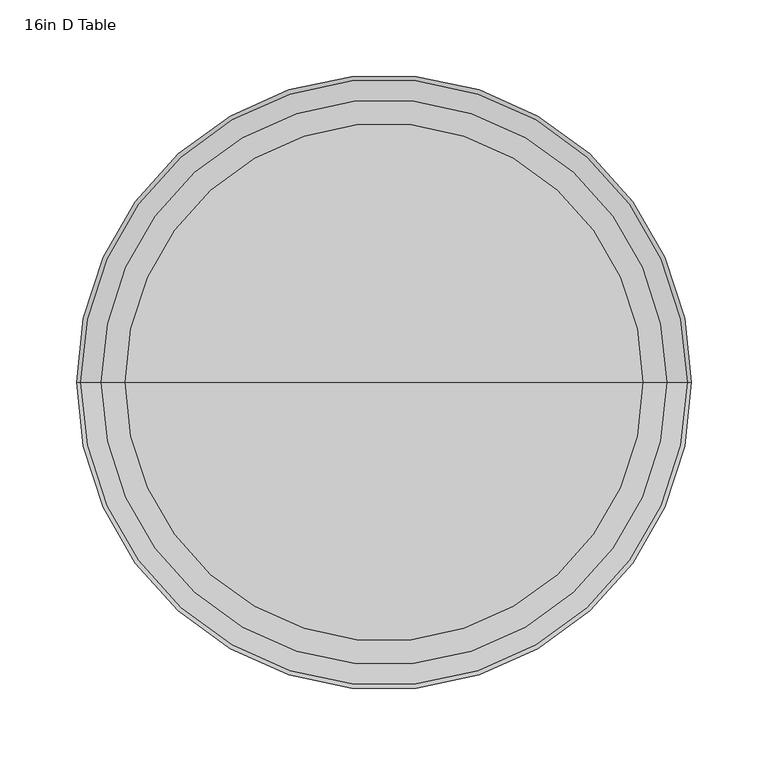
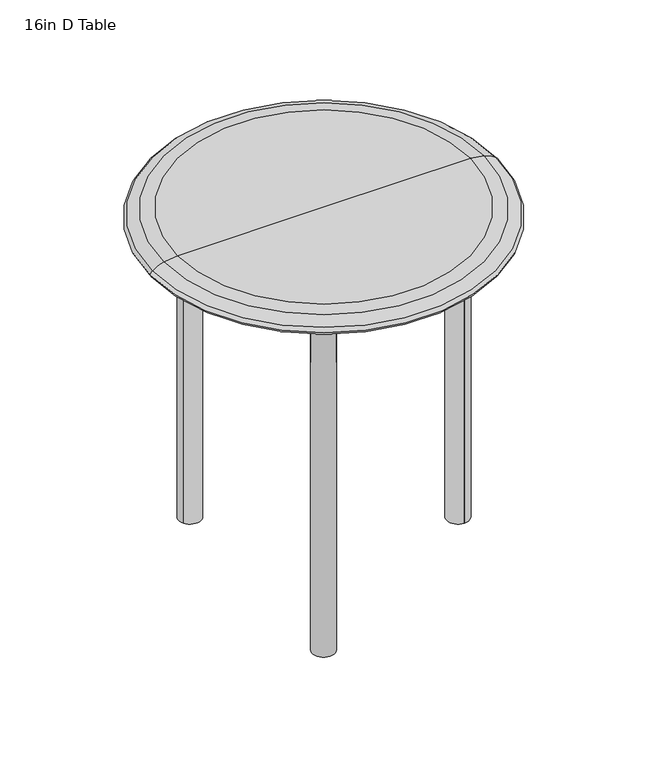
"""IFC4 building model written with IfcOpenShell, lengths in millimetres: furniture geometry, 16in D Table."""

from ifc_helpers import new_model, si_unit, point, frame, frame_2d, origin, place, context, project, spatial, polyline, circle_curve, ellipse_curve, trimmed, segment, composite_curve, outline, extrude, source, transform, mapped, element, save
from ifc_brep_helpers import plane_surface, cylinder_surface, revolved_surface, advanced_brep


def furniture_16in_d_table_f877d0f4(model_context):
    return source(origin(), model_context, "Body", "SolidModel", [
        extrude(outline(composite_curve([segment(polyline([(0.0, 0.0), (0.0, 155.7392297), (15.3769901, 155.7392297), (15.3769901, 40.3602375)]), True, "CONTINUOUS"), segment(trimmed(circle_curve(frame_2d((55.7372276, 40.3602375)), 40.3602375), [point((15.3769901, 40.3602375))], [point((55.7372276, 0.0))], True, "CARTESIAN"), True, "CONTINUOUS"), segment(polyline([(55.7372276, 0.0), (0.0, 0.0)]), True, "CONTINUOUS")], self_intersect=False)), frame((-88.9101098, -127.5088399, 406.7999998), z_axis=(0.8660254037844475, -0.49999999999998473, 0.0), x_axis=(0.0, 0.0, -1.0)), (0.0, 0.0, 1.0), 25.8000589),
        advanced_brep(
        [(-66.508095, -139.907471, 0.0031248), (-88.5051402, -127.207471, 0.0031248), (-88.5051402, -127.207471, 350.6439045), (-66.508095, -139.907471, 350.6439045), (-68.1155876, -91.89173, 391.4230097), (-46.1185424, -104.59173, 391.4230097), (11.1297809, -5.4347254, 391.4230097), (-10.8672643, 7.2652746, 391.4230097)],
        [
            (0, 1),
            (1, 0, circle_curve(frame((-77.5066176, -133.557471, 0.0031248), z_axis=(0.0, 0.0, -1.0), x_axis=(0.49999999999998473, 0.8660254037844475, 0.0)), 12.7)),
            (1, 2),
            (2, 3, circle_curve(frame((-77.5066176, -133.557471, 350.6439045), z_axis=(0.0, 0.0, -1.0), x_axis=(0.49999999999998473, 0.8660254037844475, 0.0)), 12.7)),
            (3, 0),
            (3, 2),
            (4, 5, circle_curve(frame((-57.117065, -98.24173, 391.4230097), z_axis=(-0.49999999999998473, -0.8660254037844475, 0.0), x_axis=(0.0, 0.0, -1.0)), 12.7)),
            (5, 3, circle_curve(frame((-46.1185424, -104.59173, 350.6439045), z_axis=(0.8660254037844475, -0.49999999999998473, 0.0), x_axis=(-0.49999999999998473, -0.8660254037844475, 0.0)), 40.7791052)),
            (2, 4, circle_curve(frame((-68.1155876, -91.89173, 350.6439045), z_axis=(-0.8660254037844475, 0.49999999999998473, 0.0), x_axis=(-0.49999999999998473, -0.8660254037844475, 0.0)), 40.7791052)),
            (5, 4),
            (6, 7, circle_curve(frame((0.1312583, 0.9152746, 391.4230097), z_axis=(0.49999999999998473, 0.8660254037844475, 0.0), x_axis=(0.0, 0.0, -1.0)), 12.7)),
            (7, 6),
            (4, 7),
            (6, 5),
        ],
        [
            plane_surface(frame((-65.9861853, -140.2087957, 0.0031248), z_axis=(0.0, 0.0, -1.0), x_axis=(0.8660254037844475, -0.49999999999998473, 0.0))),
            cylinder_surface(frame((-77.5066176, -133.557471, 0.0031248), z_axis=(0.0, 0.0, -1.0), x_axis=(0.49999999999998473, 0.8660254037844475, 0.0)), 12.7),
            plane_surface(frame((-88.5051402, -127.207471, 0.0031248), z_axis=(-0.4999999999999848, -0.8660254037844475, 0.0), x_axis=(0.0, 0.0, 1.0))),
            revolved_surface(trimmed(ellipse_curve(frame((-77.5066176, -133.557471, 350.6439045), z_axis=(0.0, 0.0, 1.0), x_axis=(0.49999999999998473, 0.8660254037844475, 0.0)), 12.7, 12.7), [point((-66.508095, -139.907471, 350.6439045))], [point((-88.5051402, -127.207471, 350.6439045))], True, "CARTESIAN"), (-45.5966327, -104.8930546, 350.6439045), (0.8660254037844475, -0.49999999999998473, 0.0)),
            cylinder_surface(frame((-45.5966327, -104.8930546, 350.6439045), z_axis=(0.8660254037844475, -0.49999999999998473, 0.0), x_axis=(-0.49999999999998473, -0.8660254037844475, 0.0)), 40.7791052),
            plane_surface(frame((11.6516906, -5.73605, 391.4230097), z_axis=(0.49999999999998473, 0.8660254037844475, 0.0), x_axis=(0.8660254037844475, -0.49999999999998473, 0.0))),
            cylinder_surface(frame((-57.117065, -98.24173, 391.4230097), z_axis=(-0.49999999999998473, -0.8660254037844475, 0.0), x_axis=(0.0, 0.0, -1.0)), 12.7),
            plane_surface(frame((-68.1155876, -91.89173, 391.4230097), z_axis=(0.0, 0.0, 1.0), x_axis=(0.49999999999998473, 0.8660254037844475, 0.0))),
        ],
        [
            (0, [[1, 2]]),
            (1, [[3, 4, 5, -2]]),
            (2, [[-5, 6, -3, -1]]),
            (3, [[7, 8, -4, 9]]),
            (4, [[10, -9, -6, -8]]),
            (5, [[11, 12]]),
            (6, [[13, -11, 14, -7]]),
            (7, [[-14, -12, -13, -10]]),
        ],
    ),
        extrude(outline(composite_curve([segment(trimmed(circle_curve(frame_2d((-77.5066176, -133.557471)), 12.9000295), [point((-66.3348644, -140.0074858))], [point((-88.6783708, -127.1074563))], False, "CARTESIAN"), True, "CONTINUOUS"), segment(polyline([(-88.6783708, -127.1074563), (-66.3348644, -140.0074858)]), True, "CONTINUOUS")], self_intersect=False)), frame((0.0, 0.0, 0.0031248), z_axis=(0.0, 0.0, 1.0), x_axis=(1.0, 0.0, 0.0)), (0.0, 0.0, 1.0), 406.796875),
        extrude(outline(composite_curve([segment(polyline([(0.0, 0.0), (0.0, -155.7392297), (-15.3769901, -155.7392297), (-15.3769901, -40.3602375)]), True, "CONTINUOUS"), segment(trimmed(circle_curve(frame_2d((-55.7372276, -40.3602375)), 40.3602375), [point((-15.3769901, -40.3602375))], [point((-55.7372276, 0.0))], True, "CARTESIAN"), True, "CONTINUOUS"), segment(polyline([(-55.7372276, 0.0), (0.0, 0.0)]), True, "CONTINUOUS")], self_intersect=False)), frame((-66.5666033, 140.4088694, 406.7999998), z_axis=(-0.8660254037844445, -0.49999999999998995, 0.0), x_axis=(0.0, 0.0, 1.0)), (0.0, 0.0, 1.0), 25.8000589),
        advanced_brep(
        [(-66.508095, 139.907471, 0.0031248), (-88.5051402, 127.207471, 0.0031248), (-66.508095, 139.907471, 350.6439045), (-88.5051402, 127.207471, 350.6439045), (-68.1155876, 91.89173, 391.4230097), (-46.1185424, 104.59173, 391.4230097), (11.1297809, 5.4347254, 391.4230097), (-10.8672643, -7.2652746, 391.4230097)],
        [
            (0, 1, circle_curve(frame((-77.5066176, 133.557471, 0.0031248), z_axis=(0.0, 0.0, -1.0), x_axis=(0.49999999999998995, -0.8660254037844445, 0.0)), 12.7)),
            (1, 0),
            (0, 2),
            (2, 3, circle_curve(frame((-77.5066176, 133.557471, 350.6439045), z_axis=(0.0, 0.0, -1.0), x_axis=(0.49999999999998995, -0.8660254037844445, 0.0)), 12.7)),
            (3, 1),
            (3, 2),
            (4, 3, circle_curve(frame((-68.1155876, 91.89173, 350.6439045), z_axis=(-0.8660254037844445, -0.49999999999998995, 0.0), x_axis=(-0.49999999999998995, 0.8660254037844445, 0.0)), 40.7791052)),
            (2, 5, circle_curve(frame((-46.1185424, 104.59173, 350.6439045), z_axis=(0.8660254037844445, 0.49999999999998995, 0.0), x_axis=(-0.49999999999998995, 0.8660254037844445, 0.0)), 40.7791052)),
            (5, 4, circle_curve(frame((-57.117065, 98.24173, 391.4230097), z_axis=(-0.49999999999998995, 0.8660254037844445, 0.0), x_axis=(0.0, 0.0, -1.0)), 12.7)),
            (4, 5),
            (6, 7),
            (7, 6, circle_curve(frame((0.1312583, -0.9152746, 391.4230097), z_axis=(0.49999999999998995, -0.8660254037844445, 0.0), x_axis=(0.0, 0.0, -1.0)), 12.7)),
            (5, 6),
            (7, 4),
        ],
        [
            plane_surface(frame((-65.9861853, 140.2087957, 0.0031248), z_axis=(0.0, 0.0, -1.0), x_axis=(0.8660254037844445, 0.49999999999998995, 0.0))),
            cylinder_surface(frame((-77.5066176, 133.557471, 0.0031248), z_axis=(0.0, 0.0, -1.0), x_axis=(0.49999999999998995, -0.8660254037844445, 0.0)), 12.7),
            plane_surface(frame((-88.5051402, 127.207471, 0.0031248), z_axis=(-0.49999999999999, 0.8660254037844445, 0.0), x_axis=(0.0, 0.0, 1.0))),
            revolved_surface(trimmed(ellipse_curve(frame((-77.5066176, 133.557471, 350.6439045), z_axis=(0.0, 0.0, -1.0), x_axis=(0.49999999999998995, -0.8660254037844445, 0.0)), 12.7, 12.7), [point((-66.508095, 139.907471, 350.6439045))], [point((-88.5051402, 127.207471, 350.6439045))], True, "CARTESIAN"), (-45.5966327, 104.8930546, 350.6439045), (0.8660254037844445, 0.49999999999998995, 0.0)),
            cylinder_surface(frame((-45.5966327, 104.8930546, 350.6439045), z_axis=(0.8660254037844445, 0.49999999999998995, 0.0), x_axis=(-0.49999999999998995, 0.8660254037844445, 0.0)), 40.7791052),
            plane_surface(frame((11.6516906, 5.73605, 391.4230097), z_axis=(0.49999999999998995, -0.8660254037844445, 0.0), x_axis=(0.8660254037844445, 0.49999999999998995, 0.0))),
            cylinder_surface(frame((-57.117065, 98.24173, 391.4230097), z_axis=(-0.49999999999998995, 0.8660254037844445, 0.0), x_axis=(0.0, 0.0, -1.0)), 12.7),
            plane_surface(frame((-68.1155876, 91.89173, 391.4230097), z_axis=(0.0, 0.0, 1.0), x_axis=(0.49999999999998995, -0.8660254037844445, 0.0))),
        ],
        [
            (0, [[1, 2]]),
            (1, [[-1, 3, 4, 5]]),
            (2, [[-2, -5, 6, -3]]),
            (3, [[7, -4, 8, 9]]),
            (4, [[-8, -6, -7, 10]]),
            (5, [[11, 12]]),
            (6, [[-9, 13, -12, 14]]),
            (7, [[-10, -14, -11, -13]]),
        ],
    ),
        extrude(outline(composite_curve([segment(polyline([(-66.3348644, 140.0074858), (-88.6783708, 127.1074563)]), True, "CONTINUOUS"), segment(trimmed(circle_curve(frame_2d((-77.5066176, 133.557471)), 12.9000295), [point((-88.6783708, 127.1074563))], [point((-66.3348644, 140.0074858))], False, "CARTESIAN"), True, "CONTINUOUS")], self_intersect=False)), frame((0.0, 0.0, 0.0031248), z_axis=(0.0, 0.0, 1.0), x_axis=(1.0, 0.0, 0.0)), (0.0, 0.0, 1.0), 406.796875),
        advanced_brep(
        [(154.8809495, -13.2439937, 406.7999998), (-0.8582802, -13.2439937, 406.7999998), (-0.8582802, -13.2439937, 391.4230097), (114.520712, -13.2439937, 391.4230097), (154.8809495, -13.2439937, 351.0627722), (154.8809495, 12.5560652, 406.7999998), (154.8809495, 12.5560652, 351.0627722), (114.520712, 12.5560652, 391.4230097), (-0.8582802, 12.5560652, 391.4230097), (-0.8582802, 12.5560652, 406.7999998)],
        [
            (0, 1),
            (1, 2),
            (2, 3),
            (3, 4, circle_curve(frame((114.520712, -13.2439937, 351.0627722), z_axis=(0.0, 1.0, 0.0), x_axis=(-1.0, 0.0, 0.0)), 40.3602375)),
            (4, 0),
            (5, 6),
            (6, 7, circle_curve(frame((114.520712, 12.5560652, 351.0627722), z_axis=(0.0, -1.0, 0.0), x_axis=(-1.0, 0.0, 0.0)), 40.3602375)),
            (7, 8),
            (8, 9),
            (9, 5),
            (4, 6),
            (5, 0),
            (3, 7),
            (2, 8),
            (1, 9),
        ],
        [
            plane_surface(frame((154.8809495, -13.2439937, 406.7999998), z_axis=(0.0, -1.0, 0.0), x_axis=(0.0, 0.0, -1.0))),
            plane_surface(frame((154.8809495, 12.5560652, 406.7999998), z_axis=(0.0, 1.0, 0.0), x_axis=(0.0, 0.0, 1.0))),
            plane_surface(frame((154.8809495, -13.2439937, 406.7999998), z_axis=(1.0, 0.0, 0.0), x_axis=(0.0, 1.0, 0.0))),
            revolved_surface(polyline([(74.1604745, 12.5560652, 351.0627722), (74.1604745, -13.243993700000003, 351.0627722)]), (114.520712, 12.5560652, 351.0627722), (0.0, 1.0, 0.0)),
            plane_surface(frame((114.520712, -13.2439937, 391.4230097), z_axis=(0.0, 0.0, -1.0), x_axis=(0.0, 1.0, 0.0))),
            plane_surface(frame((-0.8582802, -13.2439937, 391.4230097), z_axis=(-1.0, 0.0, 0.0), x_axis=(0.0, 1.0, 0.0))),
            plane_surface(frame((-0.8582802, -13.2439937, 406.7999998), z_axis=(0.0, 0.0, 1.0), x_axis=(0.0, 1.0, 0.0))),
        ],
        [
            (0, [[1, 2, 3, 4, 5]]),
            (1, [[6, 7, 8, 9, 10]]),
            (2, [[11, -6, 12, -5]]),
            (3, [[13, -7, -11, -4]]),
            (4, [[14, -8, -13, -3]]),
            (5, [[15, -9, -14, -2]]),
            (6, [[-12, -10, -15, -1]]),
        ],
    ),
        advanced_brep(
        [(154.4174716, 12.3560357, 0.0031248), (154.4174716, -13.0439643, 0.0031248), (154.4174716, -13.0439643, 350.6439045), (154.4174716, 12.3560357, 350.6439045), (113.6383663, -13.0439643, 391.4230097), (113.6383663, 12.3560357, 391.4230097), (-0.8582802, 12.3560357, 391.4230097), (-0.8582802, -13.0439643, 391.4230097)],
        [
            (0, 1),
            (1, 0, circle_curve(frame((154.4174716, -0.3439643, 0.0031248), z_axis=(0.0, 0.0, -1.0), x_axis=(-1.0, 0.0, 0.0)), 12.7)),
            (1, 2),
            (2, 3, circle_curve(frame((154.4174716, -0.3439643, 350.6439045), z_axis=(0.0, 0.0, -1.0), x_axis=(-1.0, 0.0, 0.0)), 12.7)),
            (3, 0),
            (3, 2),
            (4, 5, circle_curve(frame((113.6383663, -0.3439643, 391.4230097), z_axis=(1.0, 0.0, 0.0), x_axis=(0.0, 0.0, -1.0)), 12.7)),
            (5, 3, circle_curve(frame((113.6383663, 12.3560357, 350.6439045), z_axis=(0.0, 1.0, 0.0), x_axis=(1.0, 0.0, 0.0)), 40.7791052)),
            (2, 4, circle_curve(frame((113.6383663, -13.0439643, 350.6439045), z_axis=(0.0, -1.0, 0.0), x_axis=(1.0, 0.0, 0.0)), 40.7791052)),
            (5, 4),
            (6, 7, circle_curve(frame((-0.8582802, -0.3439643, 391.4230097), z_axis=(-1.0, 0.0, 0.0), x_axis=(0.0, 0.0, -1.0)), 12.7)),
            (7, 6),
            (4, 7),
            (6, 5),
        ],
        [
            plane_surface(frame((154.4174716, 12.958685, 0.0031248), z_axis=(0.0, 0.0, -1.0), x_axis=(0.0, 1.0, 0.0))),
            cylinder_surface(frame((154.4174716, -0.3439643, 0.0031248), z_axis=(0.0, 0.0, -1.0), x_axis=(-1.0, 0.0, 0.0)), 12.7),
            plane_surface(frame((154.4174716, -13.0439643, 0.0031248), z_axis=(1.0, 0.0, 0.0), x_axis=(0.0, 0.0, 1.0))),
            revolved_surface(trimmed(ellipse_curve(frame((154.4174716, -0.3439643, 350.6439045), z_axis=(0.0, 0.0, 1.0), x_axis=(-1.0, 0.0, 0.0)), 12.7, 12.7), [point((154.4174716, 12.3560357, 350.6439045))], [point((154.4174716, -13.0439643, 350.6439045))], True, "CARTESIAN"), (113.6383663, 12.958685, 350.6439045), (0.0, 1.0, 0.0)),
            cylinder_surface(frame((113.6383663, 12.958685, 350.6439045), z_axis=(0.0, 1.0, 0.0), x_axis=(1.0, 0.0, 0.0)), 40.7791052),
            plane_surface(frame((-0.8582802, 12.958685, 391.4230097), z_axis=(-1.0, 0.0, 0.0), x_axis=(0.0, 1.0, 0.0))),
            cylinder_surface(frame((113.6383663, -0.3439643, 391.4230097), z_axis=(1.0, 0.0, 0.0), x_axis=(0.0, 0.0, -1.0)), 12.7),
            plane_surface(frame((113.6383663, -13.0439643, 391.4230097), z_axis=(0.0, 0.0, 1.0), x_axis=(-1.0, 0.0, 0.0))),
        ],
        [
            (0, [[1, 2]]),
            (1, [[3, 4, 5, -2]]),
            (2, [[-5, 6, -3, -1]]),
            (3, [[7, 8, -4, 9]]),
            (4, [[10, -9, -6, -8]]),
            (5, [[11, 12]]),
            (6, [[13, -11, 14, -7]]),
            (7, [[-14, -12, -13, -10]]),
        ],
    ),
        extrude(outline(composite_curve([segment(trimmed(circle_curve(frame_2d((154.4174716, -0.3439643)), 12.9000295), [point((154.4174716, 12.5560652))], [point((154.4174716, -13.2439937))], False, "CARTESIAN"), True, "CONTINUOUS"), segment(polyline([(154.4174716, -13.2439937), (154.4174716, 12.5560652)]), True, "CONTINUOUS")], self_intersect=False)), frame((0.0, 0.0, 0.0031248), z_axis=(0.0, 0.0, 1.0), x_axis=(1.0, 0.0, 0.0)), (0.0, 0.0, 1.0), 406.796875),
        advanced_brep(
        [(169.0459554, 0.0, 431.8), (-169.0459554, 0.0, 431.8), (0.0, 0.0, 431.8), (184.6187293, 0.0, 429.6461404), (-184.6187293, 0.0, 429.6461404), (197.9469444, 0.0, 423.4310916), (-197.9469444, 0.0, 423.4310916), (200.8395659, 0.0, 419.2999999), (-200.8395659, 0.0, 419.2999999), (197.9469444, 0.0, 415.1689082), (-197.9469444, 0.0, 415.1689082), (184.6187293, 0.0, 408.9538594), (-184.6187293, 0.0, 408.9538594), (169.0459554, 0.0, 406.7999998), (-169.0459554, 0.0, 406.7999998), (0.0, 0.0, 406.7999998)],
        [
            (0, 1, circle_curve(frame((0.0, 0.0, 431.8), z_axis=(0.0, 0.0, 1.0), x_axis=(-1.0, 0.0, 0.0)), 169.0459554)),
            (1, 2),
            (2, 0),
            (1, 0, circle_curve(frame((0.0, 0.0, 431.8), z_axis=(0.0, 0.0, 1.0), x_axis=(-1.0, 0.0, 0.0)), 169.0459554)),
            (3, 4, circle_curve(frame((0.0, 0.0, 429.6461404), z_axis=(0.0, 0.0, 1.0), x_axis=(-1.0, 0.0, 0.0)), 184.6187293)),
            (4, 1, circle_curve(frame((-164.5229782, 0.0, 341.7242603), z_axis=(0.0, 1.0, 0.0), x_axis=(1.0, 0.0, 0.0)), 90.1892245)),
            (0, 3, circle_curve(frame((164.5229782, 0.0, 341.7242603), z_axis=(0.0, 1.0, 0.0), x_axis=(-1.0, 0.0, 0.0)), 90.1892245)),
            (4, 3, circle_curve(frame((0.0, 0.0, 429.6461404), z_axis=(0.0, 0.0, 1.0), x_axis=(-1.0, 0.0, 0.0)), 184.6187293)),
            (5, 6, circle_curve(frame((0.0, 0.0, 423.4310916), z_axis=(0.0, 0.0, 1.0), x_axis=(-1.0, 0.0, 0.0)), 197.9469444)),
            (6, 4, circle_curve(frame((-176.818841, 0.0, 395.5204769), z_axis=(0.0, 1.0, 0.0), x_axis=(1.0, 0.0, 0.0)), 35.0057019)),
            (3, 5, circle_curve(frame((176.818841, 0.0, 395.5204769), z_axis=(0.0, 1.0, 0.0), x_axis=(-1.0, 0.0, 0.0)), 35.0057019)),
            (6, 5, circle_curve(frame((0.0, 0.0, 423.4310916), z_axis=(0.0, 0.0, 1.0), x_axis=(-1.0, 0.0, 0.0)), 197.9469444)),
            (7, 8, circle_curve(frame((0.0, 0.0, 419.2999999), z_axis=(0.0, 0.0, 1.0), x_axis=(-1.0, 0.0, 0.0)), 200.8395659)),
            (8, 6, circle_curve(frame((-192.9884886, 0.0, 416.8808799), z_axis=(0.0, 1.0, 0.0), x_axis=(1.0, 0.0, 0.0)), 8.2153245)),
            (5, 7, circle_curve(frame((192.9884886, 0.0, 416.8808799), z_axis=(0.0, 1.0, 0.0), x_axis=(-1.0, 0.0, 0.0)), 8.2153245)),
            (8, 7, circle_curve(frame((0.0, 0.0, 419.2999999), z_axis=(0.0, 0.0, 1.0), x_axis=(-1.0, 0.0, 0.0)), 200.8395659)),
            (9, 10, circle_curve(frame((0.0, 0.0, 415.1689082), z_axis=(0.0, 0.0, 1.0), x_axis=(-1.0, 0.0, 0.0)), 197.9469444)),
            (10, 8, circle_curve(frame((-192.9884886, 0.0, 421.7191199), z_axis=(0.0, 1.0, 0.0), x_axis=(1.0, 0.0, 0.0)), 8.2153245)),
            (7, 9, circle_curve(frame((192.9884886, 0.0, 421.7191199), z_axis=(0.0, 1.0, 0.0), x_axis=(-1.0, 0.0, 0.0)), 8.2153245)),
            (10, 9, circle_curve(frame((0.0, 0.0, 415.1689082), z_axis=(0.0, 0.0, 1.0), x_axis=(-1.0, 0.0, 0.0)), 197.9469444)),
            (11, 12, circle_curve(frame((0.0, 0.0, 408.9538594), z_axis=(0.0, 0.0, 1.0), x_axis=(-1.0, 0.0, 0.0)), 184.6187293)),
            (12, 10, circle_curve(frame((-176.818841, 0.0, 443.0795229), z_axis=(0.0, 1.0, 0.0), x_axis=(1.0, 0.0, 0.0)), 35.0057019)),
            (9, 11, circle_curve(frame((176.818841, 0.0, 443.0795229), z_axis=(0.0, 1.0, 0.0), x_axis=(-1.0, 0.0, 0.0)), 35.0057019)),
            (12, 11, circle_curve(frame((0.0, 0.0, 408.9538594), z_axis=(0.0, 0.0, 1.0), x_axis=(-1.0, 0.0, 0.0)), 184.6187293)),
            (13, 14, circle_curve(frame((0.0, 0.0, 406.7999998), z_axis=(0.0, 0.0, 1.0), x_axis=(-1.0, 0.0, 0.0)), 169.0459554)),
            (14, 12, circle_curve(frame((-164.5229782, 0.0, 496.8757395), z_axis=(0.0, 1.0, 0.0), x_axis=(1.0, 0.0, 0.0)), 90.1892245)),
            (11, 13, circle_curve(frame((164.5229782, 0.0, 496.8757395), z_axis=(0.0, 1.0, 0.0), x_axis=(-1.0, 0.0, 0.0)), 90.1892245)),
            (14, 13, circle_curve(frame((0.0, 0.0, 406.7999998), z_axis=(0.0, 0.0, 1.0), x_axis=(-1.0, 0.0, 0.0)), 169.0459554)),
            (15, 14),
            (13, 15),
        ],
        [
            plane_surface(frame((0.0, 0.0, 431.8), z_axis=(0.0, 0.0, 1.0), x_axis=(-1.0, 0.0, 0.0))),
            revolved_surface(trimmed(ellipse_curve(frame((-164.5229782, 0.0, 341.7242603), z_axis=(0.0, -1.0, 0.0), x_axis=(1.0, 0.0, 0.0)), 90.1892245, 90.1892245), [point((-169.0459554, 0.0, 431.8))], [point((-184.6187293, 0.0, 429.6461404))], True, "CARTESIAN"), (0.0, 0.0, 2421.4288111), (0.0, 0.0, -1.0)),
            revolved_surface(trimmed(ellipse_curve(frame((-176.818841, 0.0, 395.5204769), z_axis=(0.0, -1.0, 0.0), x_axis=(1.0, 0.0, 0.0)), 35.0057019, 35.0057019), [point((-184.6187293, 0.0, 429.6461404))], [point((-197.9469444, 0.0, 423.4310916))], True, "CARTESIAN"), (0.0, 0.0, 2421.4288111), (0.0, 0.0, -1.0)),
            revolved_surface(trimmed(ellipse_curve(frame((-192.9884886, 0.0, 416.8808799), z_axis=(0.0, -1.0, 0.0), x_axis=(1.0, 0.0, 0.0)), 8.2153245, 8.2153245), [point((-197.9469444, 0.0, 423.4310916))], [point((-200.8395659, 0.0, 419.2999999))], True, "CARTESIAN"), (0.0, 0.0, 2421.4288111), (0.0, 0.0, -1.0)),
            revolved_surface(trimmed(ellipse_curve(frame((-192.9884886, 0.0, 421.7191199), z_axis=(0.0, -1.0, 0.0), x_axis=(1.0, 0.0, 0.0)), 8.2153245, 8.2153245), [point((-200.8395659, 0.0, 419.2999999))], [point((-197.9469444, 0.0, 415.1689082))], True, "CARTESIAN"), (0.0, 0.0, 2421.4288111), (0.0, 0.0, -1.0)),
            revolved_surface(trimmed(ellipse_curve(frame((-176.818841, 0.0, 443.0795229), z_axis=(0.0, -1.0, 0.0), x_axis=(1.0, 0.0, 0.0)), 35.0057019, 35.0057019), [point((-197.9469444, 0.0, 415.1689082))], [point((-184.6187293, 0.0, 408.9538594))], True, "CARTESIAN"), (0.0, 0.0, 2421.4288111), (0.0, 0.0, -1.0)),
            revolved_surface(trimmed(ellipse_curve(frame((-164.5229782, 0.0, 496.8757395), z_axis=(0.0, -1.0, 0.0), x_axis=(1.0, 0.0, 0.0)), 90.1892245, 90.1892245), [point((-184.6187293, 0.0, 408.9538594))], [point((-169.0459554, 0.0, 406.7999998))], True, "CARTESIAN"), (0.0, 0.0, 2421.4288111), (0.0, 0.0, -1.0)),
            plane_surface(frame((0.0, 0.0, 406.7999998), z_axis=(0.0, 0.0, -1.0), x_axis=(-1.0, 0.0, 0.0))),
        ],
        [
            (0, [[1, 2, 3]]),
            (0, [[4, -3, -2]]),
            (1, [[5, 6, -1, 7]]),
            (1, [[8, -7, -4, -6]]),
            (2, [[9, 10, -5, 11]]),
            (2, [[12, -11, -8, -10]]),
            (3, [[13, 14, -9, 15]]),
            (3, [[16, -15, -12, -14]]),
            (4, [[17, 18, -13, 19]]),
            (4, [[20, -19, -16, -18]]),
            (5, [[21, 22, -17, 23]]),
            (5, [[24, -23, -20, -22]]),
            (6, [[25, 26, -21, 27]]),
            (6, [[28, -27, -24, -26]]),
            (7, [[29, -25, 30]]),
            (7, [[-30, -28, -29]]),
        ],
    ),
    ])


if __name__ == "__main__":
    model = new_model("IFC4")
    model_context = context("Model", 3, world=origin())
    ifc_project = project(units=[si_unit("LENGTHUNIT", "METRE", prefix="MILLI")], contexts=[model_context])
    site = spatial("IfcSite", under=ifc_project)
    building = spatial("IfcBuilding", under=site)
    placement = place(None, origin())
    furniture_16in_d_table_shape = furniture_16in_d_table_f877d0f4(model_context)
    element("IfcFurniture", 1, ObjectType="16in D Table", at=placement, inside=building, context=model_context, shape_type="MappedRepresentation", body=[
        mapped(furniture_16in_d_table_shape, transform((0.0, 0.0, 0.0), x_axis=(1.0, 0.0, 0.0), y_axis=(0.0, 1.0, 0.0), z_axis=(0.0, 0.0, 1.0))),
    ])
    save(model, "model.ifc")
